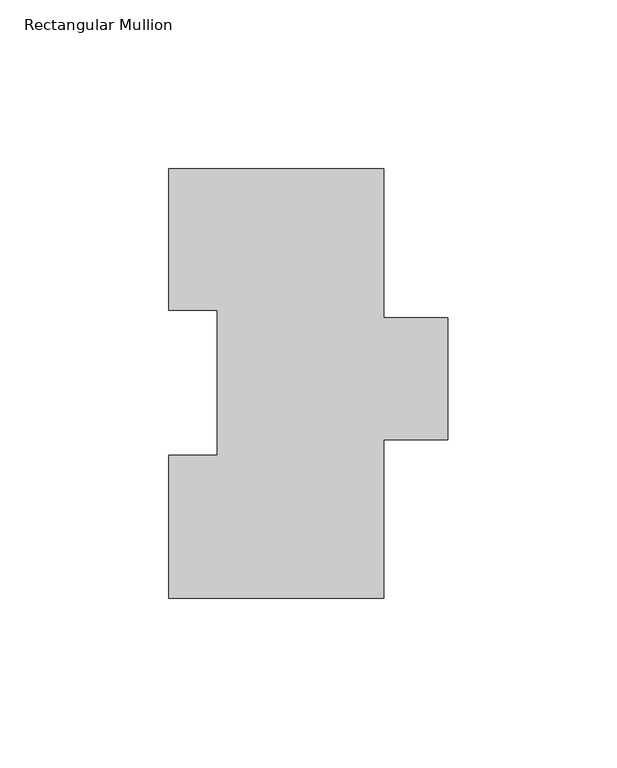
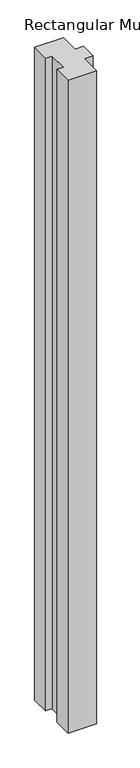
"""IFC4 building model written with IfcOpenShell, lengths in millimetres: member geometry, Rectangular Mullion."""

import ifcopenshell
import ifcopenshell.guid

model = None  # the IFC model being written
_history = None  # IfcOwnerHistory: only IFC2X3 demands one
_inside = {}  # id of a spatial element -> (the spatial element, [elements in it])
_under = {}  # id of a project, library or spatial element -> (it, [spatial elements below it])
_declared = {}  # id of a project -> (the project, [libraries it declares])
_typed = {}  # id of a type object -> (the type object, [elements of that type])
_made_of = {}  # id of a material, layer set ... -> (it, [elements and type objects made of it])


def new_model(schema):
    """Start an empty IFC model of exactly this schema.

    Asked for "IFC4X3", IfcOpenShell would pick the latest addendum, in which some entities
    have other attributes; the version numbers below select the first issue.
    IFC2X3 requires an IfcOwnerHistory on every rooted entity: one is made here for all.
    """
    global model, _history
    if schema == "IFC4X3":
        model = ifcopenshell.file(schema_version=(4, 3, 0, 0))
    else:
        model = ifcopenshell.file(schema=schema)
    _inside.clear()
    _under.clear()
    _declared.clear()
    _typed.clear()
    _made_of.clear()
    _history = None
    if model.schema == "IFC2X3":
        org = make("IfcOrganization", Name="unknown")
        user = make(
            "IfcPersonAndOrganization",
            ThePerson=make("IfcPerson", FamilyName="unknown"),
            TheOrganization=org,
        )
        app = make(
            "IfcApplication",
            ApplicationDeveloper=org,
            Version="unknown",
            ApplicationFullName="unknown",
            ApplicationIdentifier="unknown",
        )
        _history = make(
            "IfcOwnerHistory",
            OwningUser=user,
            OwningApplication=app,
            ChangeAction="ADDED",
            CreationDate=0,
        )
    return model


def make(cls, **values):
    """One entity of the class cls with the attributes given. An attribute that is None is left unset."""
    return model.create_entity(
        cls, **{name: value for name, value in values.items() if value is not None}
    )


def rooted(cls, **values):
    """An entity with a GlobalId (a new one), such as an element, a storey or a relation."""
    return make(cls, GlobalId=ifcopenshell.guid.new(), OwnerHistory=_history, **values)


def si_unit(unit_type, name, prefix=None):
    """IfcSIUnit, for example si_unit("LENGTHUNIT", "METRE", prefix="MILLI")."""
    return make("IfcSIUnit", UnitType=unit_type, Prefix=prefix, Name=name)


def assignment(units):
    """IfcUnitAssignment: the units of a project."""
    return None if units is None else make("IfcUnitAssignment", Units=units)


def point(xyz):
    """IfcCartesianPoint."""
    return None if xyz is None else make("IfcCartesianPoint", Coordinates=xyz)


def direction(xyz):
    """IfcDirection."""
    return None if xyz is None else make("IfcDirection", DirectionRatios=xyz)


def frame(location, z_axis=None, x_axis=None):
    """IfcAxis2Placement3D, a coordinate frame: its origin and axes. An axis left out is left unset."""
    return make(
        "IfcAxis2Placement3D",
        Location=point(location),
        Axis=direction(z_axis),
        RefDirection=direction(x_axis),
    )


def origin():
    """The frame at (0, 0, 0) with its axes left unset."""
    return frame((0.0, 0.0, 0.0))


def place(relative_to, where):
    """IfcLocalPlacement: puts the frame where relative to a parent placement (None: the world)."""
    return make(
        "IfcLocalPlacement", PlacementRelTo=relative_to, RelativePlacement=where
    )


def context(
    kind, dimensions, precision=None, world=None, true_north=None, identifier=None
):
    """IfcGeometricRepresentationContext, for example the 3D "Model" context."""
    return make(
        "IfcGeometricRepresentationContext",
        ContextIdentifier=identifier,
        ContextType=kind,
        CoordinateSpaceDimension=dimensions,
        Precision=precision,
        WorldCoordinateSystem=world,
        TrueNorth=true_north,
    )


def project(units=None, contexts=None):
    """IfcProject with its units and contexts."""
    return rooted(
        "IfcProject",
        Name="project",
        RepresentationContexts=contexts,
        UnitsInContext=assignment(units),
    )


def spatial(cls, under=None, at=None, **own):
    """A site, building, storey or space (cls), placed at a placement, below another one or the project."""
    s = rooted(cls, ObjectPlacement=at, **own)
    if under is not None:
        _under.setdefault(under.id(), (under, []))[1].append(s)
    return s


def polyline(points):
    """IfcPolyline through the points."""
    return make("IfcPolyline", Points=[point(p) for p in points])


def outline(outer, holes=None, kind="AREA"):
    """IfcArbitraryClosedProfileDef: a profile drawn as a closed curve; with holes, ...WithVoids."""
    if holes is None:
        return make("IfcArbitraryClosedProfileDef", ProfileType=kind, OuterCurve=outer)
    return make(
        "IfcArbitraryProfileDefWithVoids",
        ProfileType=kind,
        OuterCurve=outer,
        InnerCurves=holes,
    )


def extrude(swept, where, along, depth):
    """IfcExtrudedAreaSolid: the profile swept, set in the frame where, extruded along a direction by depth."""
    return make(
        "IfcExtrudedAreaSolid",
        SweptArea=swept,
        Position=where,
        ExtrudedDirection=direction(along),
        Depth=depth,
    )


def shape(context_of_items, identifier, shape_type, items):
    """IfcShapeRepresentation: the items that make up one representation, for example the "Body"."""
    return make(
        "IfcShapeRepresentation",
        ContextOfItems=context_of_items,
        RepresentationIdentifier=identifier,
        RepresentationType=shape_type,
        Items=items,
    )


def source(mapping_origin, context_of_items, identifier, shape_type, items):
    """IfcRepresentationMap: a shape defined once, which mapped items show again and again."""
    return make(
        "IfcRepresentationMap",
        MappingOrigin=mapping_origin,
        MappedRepresentation=shape(context_of_items, identifier, shape_type, items),
    )


def transform(
    local_origin,
    x_axis=None,
    y_axis=None,
    z_axis=None,
    scale=None,
    scale2=None,
    scale3=None,
    uniform=True,
):
    """IfcCartesianTransformationOperator3D, or its non-uniform kind. x_axis, y_axis, z_axis: its Axis1, 2, 3."""
    if uniform:
        return make(
            "IfcCartesianTransformationOperator3D",
            Axis1=direction(x_axis),
            Axis2=direction(y_axis),
            LocalOrigin=point(local_origin),
            Scale=scale,
            Axis3=direction(z_axis),
        )
    return make(
        "IfcCartesianTransformationOperator3DnonUniform",
        Axis1=direction(x_axis),
        Axis2=direction(y_axis),
        LocalOrigin=point(local_origin),
        Scale=scale,
        Axis3=direction(z_axis),
        Scale2=scale2,
        Scale3=scale3,
    )


def mapped(mapping_source, mapping_target):
    """IfcMappedItem: shows the shape of a source again, moved by a transform."""
    return make(
        "IfcMappedItem", MappingSource=mapping_source, MappingTarget=mapping_target
    )


def made_of(thing, what):
    """Note that an element or type object is made of a material, layer set ...; save() writes the relation."""
    if what is not None:
        _made_of.setdefault(what.id(), (what, []))[1].append(thing)
    return thing


def element(
    cls,
    number,
    at=None,
    inside=None,
    cuts=None,
    type_object=None,
    material=None,
    context=None,
    identifier="Body",
    shape_type=None,
    held_by="IfcProductDefinitionShape",
    body=None,
    shapes=None,
    **own,
):
    """One element of the class cls, such as IfcWall. Its Tag is "e" and its number.

    at: its placement. inside: the storey or other place that contains it. cuts: it is an
    opening in that element (IfcRelVoidsElement). A single representation is given by context,
    identifier, shape_type and body (its items); several are given by shapes. held_by: the class
    of the entity that holds the representations. save() writes the other relations.
    """
    e = rooted(cls, Tag="e%d" % number, ObjectPlacement=at, **own)
    if body is not None:
        shapes = [shape(context, identifier, shape_type, body)]
    if shapes is not None:
        e.Representation = make(held_by, Representations=shapes)
    if inside is not None:
        _inside.setdefault(inside.id(), (inside, []))[1].append(e)
    if cuts is not None:
        rooted(
            "IfcRelVoidsElement", RelatingBuildingElement=cuts, RelatedOpeningElement=e
        )
    if type_object is not None:
        _typed.setdefault(type_object.id(), (type_object, []))[1].append(e)
    return made_of(e, material)


def aggregate(whole, parts):
    """IfcRelAggregates: a whole, such as a stair, and the parts it consists of."""
    return rooted("IfcRelAggregates", RelatingObject=whole, RelatedObjects=parts)


def save(model, path):
    """Write the relations noted so far, then the file.

    IfcRelAggregates (storeys below a building ...), IfcRelContainedInSpatialStructure (elements
    in a storey), IfcRelDefinesByType, IfcRelAssociatesMaterial and IfcRelDeclares: one each for
    every whole, place, type object, material and project.
    """
    for whole, parts in _under.values():
        aggregate(whole, parts)
    for where, things in _inside.values():
        rooted(
            "IfcRelContainedInSpatialStructure",
            RelatedElements=things,
            RelatingStructure=where,
        )
    for kind, things in _typed.values():
        rooted("IfcRelDefinesByType", RelatedObjects=things, RelatingType=kind)
    for what, things in _made_of.values():
        rooted("IfcRelAssociatesMaterial", RelatedObjects=things, RelatingMaterial=what)
    for by, libraries in _declared.values():
        rooted("IfcRelDeclares", RelatingContext=by, RelatedDefinitions=libraries)
    model.write(path)


def rectangular_mullion_4de87a4f(model_context):
    return source(origin(), model_context, "Body", "SweptSolid", [
        extrude(outline(polyline([(-31.75, 127.0079375), (31.75, 127.0079375), (31.75, 82.9329556), (50.8, 82.9329556), (50.8, 46.8391875), (31.75, 46.8391875), (31.75, 0.0079375), (-31.75, 0.0079375), (-31.75, 42.2989375), (-17.4625, 42.2989375), (-17.4625, 85.1487375), (-31.75, 85.1487375), (-31.75, 127.0079375)])), frame((0.0, 0.0, -1524.0), z_axis=(0.0, 0.0, 1.0), x_axis=(1.0, 0.0, 0.0)), (0.0, 0.0, 1.0), 1524.0),
    ])


if __name__ == "__main__":
    model = new_model("IFC4")
    model_context = context("Model", 3, world=origin())
    ifc_project = project(units=[si_unit("LENGTHUNIT", "METRE", prefix="MILLI")], contexts=[model_context])
    site = spatial("IfcSite", under=ifc_project)
    building = spatial("IfcBuilding", under=site)
    placement = place(None, origin())
    rectangular_mullion_shape = rectangular_mullion_4de87a4f(model_context)
    element("IfcMember", 1, ObjectType="Rectangular Mullion", at=placement, inside=building, context=model_context, shape_type="MappedRepresentation", body=[
        mapped(rectangular_mullion_shape, transform((0.0, 0.0, 0.0), x_axis=(1.0, 0.0, 0.0), y_axis=(0.0, 1.0, 0.0), z_axis=(0.0, 0.0, 1.0))),
    ])
    save(model, "model.ifc")
